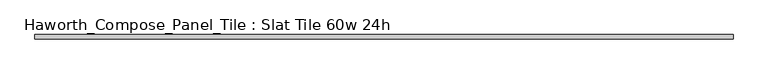
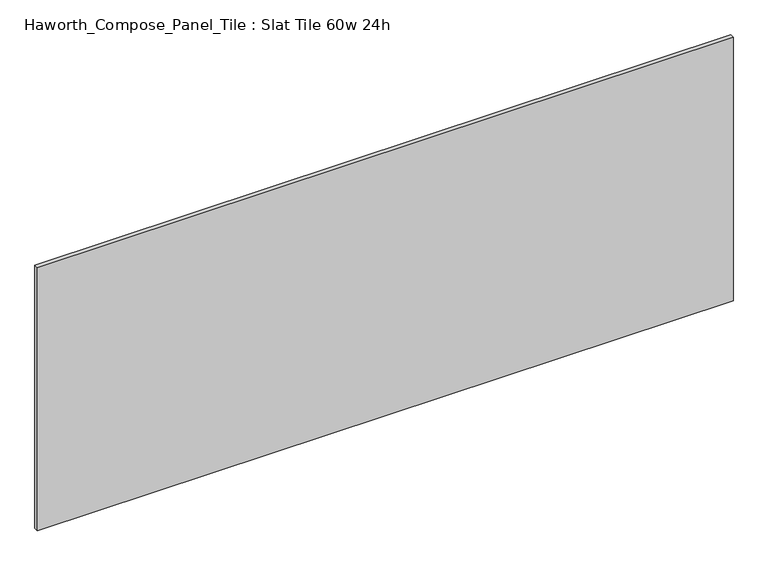
"""IFC4 building model written with IfcOpenShell, lengths in millimetres: furniture geometry, Haworth_Compose_Panel_Tile : Slat Tile 60w 24h."""

from ifc_helpers import new_model, si_unit, frame, origin, place, context, project, spatial, polyline, outline, extrude, source, transform, mapped, element, save


def haworth_compose_panel_tile_slat_tile_60w_24h_7b9feb2f(model_context):
    return source(origin(), model_context, "Body", "SweptSolid", [
        extrude(outline(polyline([(764.4402902, -25.7218594), (-759.5597098, -25.7218594), (-759.5597098, -16.1968594), (764.4402902, -16.1968594), (764.4402902, -25.7218594)])), frame((0.0, 0.0, 1066.8), z_axis=(0.0, 0.0, 1.0), x_axis=(1.0, 0.0, 0.0)), (0.0, 0.0, 1.0), 609.6),
    ])


if __name__ == "__main__":
    model = new_model("IFC4")
    model_context = context("Model", 3, world=origin())
    ifc_project = project(units=[si_unit("LENGTHUNIT", "METRE", prefix="MILLI")], contexts=[model_context])
    site = spatial("IfcSite", under=ifc_project)
    building = spatial("IfcBuilding", under=site)
    placement = place(None, origin())
    haworth_compose_panel_tile_slat_tile_60w_24h_shape = haworth_compose_panel_tile_slat_tile_60w_24h_7b9feb2f(model_context)
    element("IfcFurniture", 1, ObjectType="Haworth_Compose_Panel_Tile : Slat Tile 60w 24h", at=placement, inside=building, context=model_context, shape_type="MappedRepresentation", body=[
        mapped(haworth_compose_panel_tile_slat_tile_60w_24h_shape, transform((0.0, 0.0, 0.0), x_axis=(1.0, 0.0, 0.0), y_axis=(0.0, 1.0, 0.0), z_axis=(0.0, 0.0, 1.0))),
    ])
    save(model, "model.ifc")
